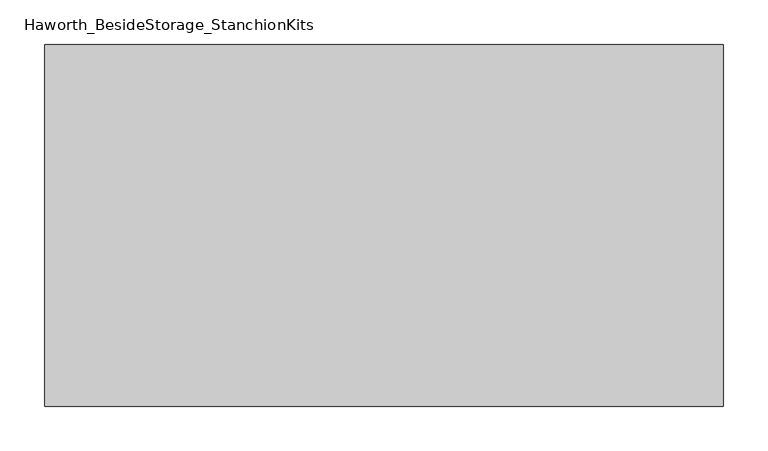
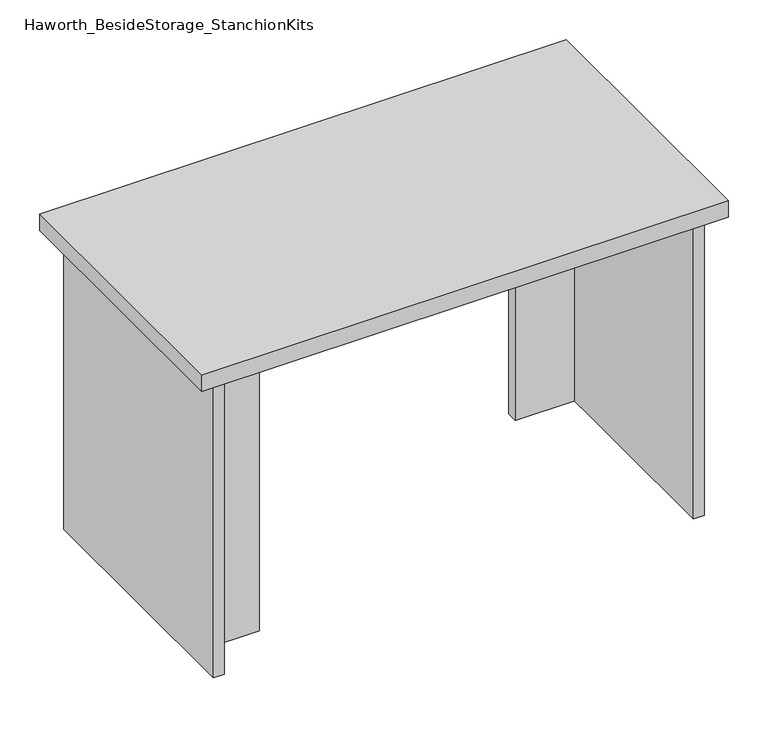
"""IFC4 building model written with IfcOpenShell, lengths in millimetres: furniture geometry, Haworth_BesideStorage_StanchionKits."""

from ifc_helpers import new_model, si_unit, frame, origin, place, context, project, spatial, polyline, outline, extrude, source, transform, mapped, element, save


def haworth_besidestorage_stanchionkits_9eeec442(model_context):
    return source(origin(), model_context, "Body", "SweptSolid", [
        extrude(outline(polyline([(542.925, 0.0), (542.925, -406.4), (-219.075, -406.4), (-219.075, 0.0), (542.925, 0.0)])), frame((0.0, 0.0, 889.0), z_axis=(0.0, 0.0, 1.0), x_axis=(1.0, 0.0, 0.0)), (0.0, 0.0, 1.0), 25.4),
        extrude(outline(polyline([(415.925, -76.2), (501.65, -76.2), (501.65, -92.075), (415.925, -92.075), (415.925, -76.2)])), frame((0.0, 0.0, 431.8), z_axis=(0.0, 0.0, 1.0), x_axis=(1.0, 0.0, 0.0)), (0.0, 0.0, 1.0), 457.2),
        extrude(outline(polyline([(-92.075, -314.325), (-92.075, -330.2), (-177.8, -330.2), (-177.8, -314.325), (-92.075, -314.325)])), frame((0.0, 0.0, 431.8), z_axis=(0.0, 0.0, 1.0), x_axis=(1.0, 0.0, 0.0)), (0.0, 0.0, 1.0), 457.2),
        extrude(outline(polyline([(517.525, -390.525), (501.65, -390.525), (501.65, -15.875), (517.525, -15.875), (517.525, -390.525)])), frame((0.0, 0.0, 431.8), z_axis=(0.0, 0.0, 1.0), x_axis=(1.0, 0.0, 0.0)), (0.0, 0.0, 1.0), 457.2),
        extrude(outline(polyline([(-177.8, -390.525), (-193.675, -390.525), (-193.675, -15.875), (-177.8, -15.875), (-177.8, -390.525)])), frame((0.0, 0.0, 431.8), z_axis=(0.0, 0.0, 1.0), x_axis=(1.0, 0.0, 0.0)), (0.0, 0.0, 1.0), 457.2),
    ])


if __name__ == "__main__":
    model = new_model("IFC4")
    model_context = context("Model", 3, world=origin())
    ifc_project = project(units=[si_unit("LENGTHUNIT", "METRE", prefix="MILLI")], contexts=[model_context])
    site = spatial("IfcSite", under=ifc_project)
    building = spatial("IfcBuilding", under=site)
    placement = place(None, origin())
    haworth_besidestorage_stanchionkits_shape = haworth_besidestorage_stanchionkits_9eeec442(model_context)
    element("IfcFurniture", 1, ObjectType="Haworth_BesideStorage_StanchionKits", at=placement, inside=building, context=model_context, shape_type="MappedRepresentation", body=[
        mapped(haworth_besidestorage_stanchionkits_shape, transform((0.0, 0.0, 0.0), x_axis=(1.0, 0.0, 0.0), y_axis=(0.0, 1.0, 0.0), z_axis=(0.0, 0.0, 1.0))),
    ])
    save(model, "model.ifc")
